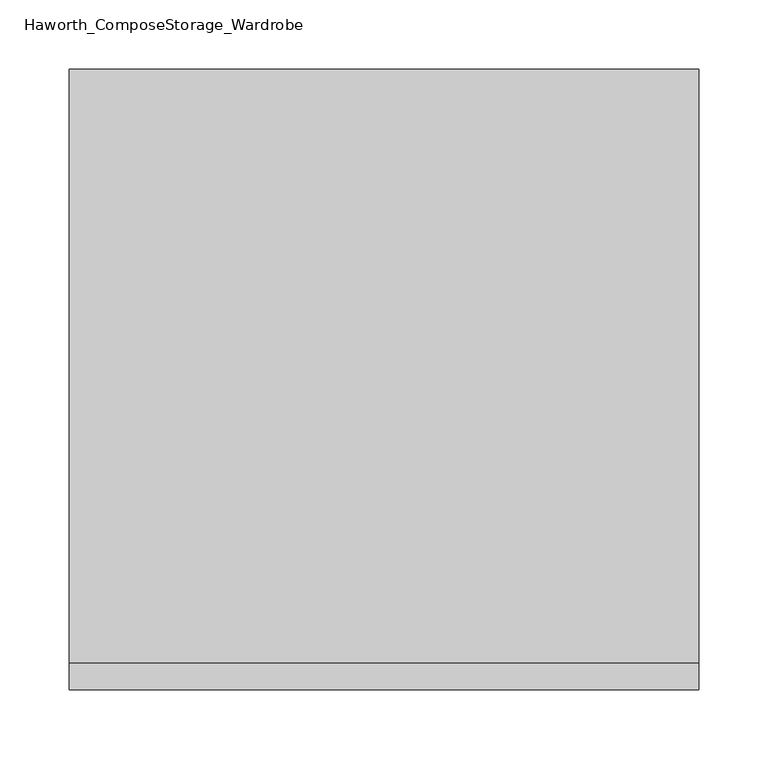
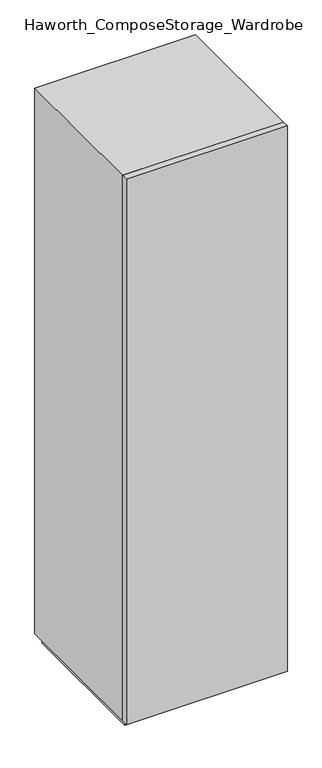
"""IFC4 building model written with IfcOpenShell, lengths in millimetres: furniture geometry, Haworth_ComposeStorage_Wardrobe."""

from ifc_helpers import new_model, si_unit, frame, origin, origin_with_axes, place, context, project, spatial, polyline, outline, extrude, faceted_brep, source, transform, mapped, element, save


def haworth_composestorage_wardrobe_ef4ca9dc(model_context):
    return source(origin(), model_context, "Body", "SolidModel", [
        extrude(outline(polyline([(227.0263906, -233.3625), (-226.9986094, -233.3625), (-226.9986094, -214.3125), (227.0263906, -214.3125), (227.0263906, -233.3625)])), frame((0.0, 0.0, 25.4), z_axis=(0.0, 0.0, 1.0), x_axis=(1.0, 0.0, 0.0)), (0.0, 0.0, 1.0), 1625.6),
        faceted_brep([(-226.9986094, -214.3125, 25.4), (227.0263906, -214.3125, 25.4), (227.0263906, -214.3125, 1651.0), (-226.9986094, -214.3125, 1651.0), (-207.9486094, -214.3125, 44.45), (-207.9486094, -214.3125, 1631.95), (207.9486094, -214.3125, 1631.95), (207.9486094, -214.3125, 44.45), (-226.9986094, 214.3125, 25.4), (-226.9986094, 214.3125, 1651.0), (227.0263906, 214.3125, 1651.0), (227.0263906, 214.3125, 25.4), (-207.9486094, 195.2625, 44.45), (-207.9486094, 195.2625, 1631.95), (207.9486094, 195.2625, 1631.95), (207.9486094, 195.2625, 44.45)], [[[0, 1, 2, 3], [4, 5, 6, 7]], [[8, 9, 10, 11]], [[1, 0, 8, 11]], [[2, 1, 11, 10]], [[3, 2, 10, 9]], [[0, 3, 9, 8]], [[5, 4, 12, 13]], [[6, 5, 13, 14]], [[7, 6, 14, 15]], [[4, 7, 15, 12]], [[13, 12, 15, 14]]]),
        extrude(outline(polyline([(214.3263906, -201.6125), (-214.2986094, -201.6125), (-214.2986094, 201.6125), (214.3263906, 201.6125), (214.3263906, -201.6125)])), origin_with_axes(), (0.0, 0.0, 1.0), 25.4),
    ])


if __name__ == "__main__":
    model = new_model("IFC4")
    model_context = context("Model", 3, world=origin())
    ifc_project = project(units=[si_unit("LENGTHUNIT", "METRE", prefix="MILLI")], contexts=[model_context])
    site = spatial("IfcSite", under=ifc_project)
    building = spatial("IfcBuilding", under=site)
    placement = place(None, origin())
    haworth_composestorage_wardrobe_shape = haworth_composestorage_wardrobe_ef4ca9dc(model_context)
    element("IfcFurniture", 1, ObjectType="Haworth_ComposeStorage_Wardrobe", at=placement, inside=building, context=model_context, shape_type="MappedRepresentation", body=[
        mapped(haworth_composestorage_wardrobe_shape, transform((0.0, 0.0, 0.0), x_axis=(1.0, 0.0, 0.0), y_axis=(0.0, 1.0, 0.0), z_axis=(0.0, 0.0, 1.0))),
    ])
    save(model, "model.ifc")
